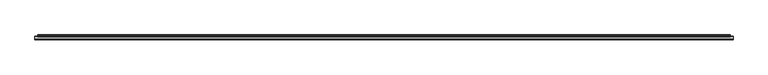
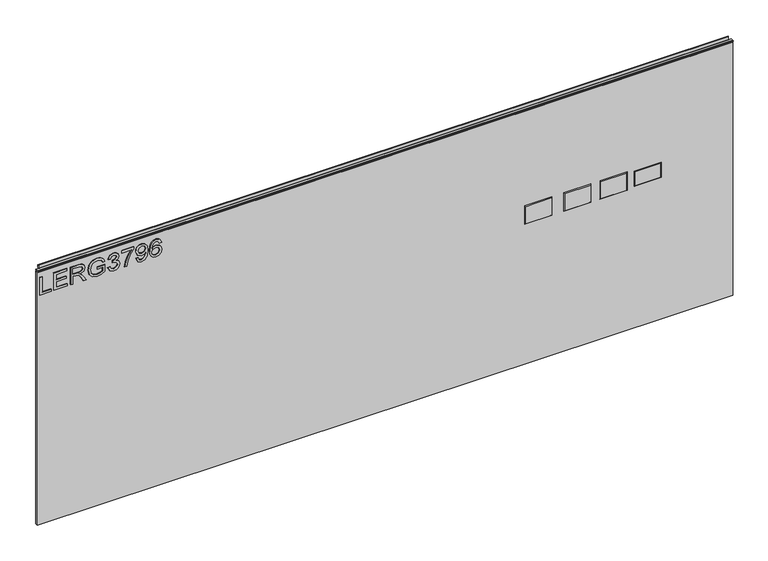
"""IFC4 building model written with IfcOpenShell, lengths in millimetres: furniture geometry."""

from ifc_helpers import new_model, si_unit, frame, origin, place, context, project, spatial, polyline, outline, extrude, faceted_brep, source, transform, mapped, element, save


def furniture_8708cc92(model_context):
    return source(origin(), model_context, "Body", "SolidModel", [
        extrude(outline(polyline([(949.9276297, -291.2189953), (949.9276297, -251.3503972), (957.9013493, -251.3503972), (957.9013493, -283.2452757), (1013.7173866, -283.2452757), (1013.7173866, -291.2189953), (949.9276297, -291.2189953)])), frame((0.0, -5.5279467, 0.0), z_axis=(0.0, 1.0, 0.0), x_axis=(0.0, 0.0, 1.0)), (0.0, 0.0, 1.0), 2.38125),
        extrude(outline(polyline([(949.9276297, -242.3799627), (949.9276297, -195.5343599), (957.9013493, -195.5343599), (957.9013493, -234.4062431), (978.8323633, -234.4062431), (978.8323633, -198.5245048), (986.8060829, -198.5245048), (986.8060829, -234.4062431), (1005.743667, -234.4062431), (1005.743667, -196.5310749), (1013.7173866, -196.5310749), (1013.7173866, -242.3799627), (949.9276297, -242.3799627)])), frame((0.0, -5.5279467, 0.0), z_axis=(0.0, 1.0, 0.0), x_axis=(0.0, 0.0, 1.0)), (0.0, 0.0, 1.0), 2.38125),
        extrude(outline(polyline([(949.9276297, -183.5737805), (949.9276297, -175.6000609), (977.8356483, -175.6000609), (977.8356483, -165.9755321), (977.5553223, -161.3501518), (976.0368893, -157.5579629), (971.9020796, -153.3452848), (963.1496765, -147.3494214), (949.9276297, -139.0486547), (949.9276297, -129.7823204), (967.2144046, -140.4191378), (975.4217293, -146.8822113), (978.8323633, -151.4141496), (984.765932, -138.0597266), (996.2593013, -133.7380329), (1005.9071906, -136.3466228), (1011.996496, -143.3236275), (1013.7173866, -156.0862509), (1013.7173866, -183.5737805), (949.9276297, -183.5737805)]), holes=[polyline([(985.809368, -175.6000609), (1005.743667, -175.6000609), (1005.743667, -155.7436302), (1002.9871272, -145.0834523), (995.9634015, -141.7117525), (990.5515508, -143.4793642), (986.9384591, -148.649823), (985.809368, -157.7526338), (985.809368, -175.6000609)])]), frame((0.0, -5.5279467, 0.0), z_axis=(0.0, 1.0, 0.0), x_axis=(0.0, 0.0, 1.0)), (0.0, 0.0, 1.0), 2.38125),
        extrude(outline(polyline([(974.8455035, -89.882575), (974.8455035, -71.9417058), (963.3209869, -71.9417058), (958.9525721, -80.0166543), (956.9046343, -90.9260109), (959.62224, -103.0812613), (967.9385803, -111.8025171), (981.8380818, -114.8004488), (994.3593134, -112.3086614), (1000.5031267, -108.2049991), (1005.0194913, -101.2591417), (1006.740382, -91.0506003), (1005.1440807, -82.0879526), (1000.8924685, -75.8740578), (993.5183352, -72.2376056), (995.5896334, -64.8868328), (1006.1407956, -69.706884), (1012.4481324, -78.4515004), (1014.7141016, -90.9260109), (1010.8051101, -107.7144284), (998.8523175, -118.8885375), (981.5110347, -122.7741684), (964.5513069, -118.8729638), (952.941135, -107.3172998), (948.9309147, -90.2874904), (951.4538495, -76.7617571), (958.9759326, -63.9679862), (982.8192231, -63.9679862), (982.8192231, -89.882575), (974.8455035, -89.882575)])), frame((0.0, -5.5279467, 0.0), z_axis=(0.0, 1.0, 0.0), x_axis=(0.0, 0.0, 1.0)), (0.0, 0.0, 1.0), 2.38125),
        extrude(outline(polyline([(966.8717839, -54.0008367), (953.9300632, -47.6623525), (948.9309147, -33.6771959), (950.3948398, -25.1545043), (954.7866151, -18.2436878), (961.2808359, -13.6650285), (969.0520978, -12.1388087), (979.4241628, -15.1912482), (984.8749477, -23.8813567), (990.1544222, -17.3404149), (997.505195, -15.1289536), (1005.5489961, -17.4572174), (1011.5292858, -24.1850433), (1013.7173866, -33.8017852), (1009.2788904, -46.4787535), (996.7732324, -53.0041217), (995.7765175, -45.0304021), (1003.2518796, -41.1214107), (1005.743667, -33.5214592), (1003.2752401, -26.0149497), (997.0379848, -23.1026732), (989.9986855, -27.1206803), (987.8027979, -37.4460243), (979.8290782, -38.3337235), (980.7012038, -32.7427756), (977.4385197, -23.678899), (969.1922609, -20.1125283), (960.4398577, -23.7100463), (956.9046343, -33.3968698), (959.4742901, -41.627555), (967.8684988, -46.0271171), (966.8717839, -54.0008367)])), frame((0.0, -5.5279467, 0.0), z_axis=(0.0, 1.0, 0.0), x_axis=(0.0, 0.0, 1.0)), (0.0, 0.0, 1.0), 2.38125),
        extrude(outline(polyline([(1004.7469521, -5.161804), (1004.7469521, 28.7265043), (988.2466475, 16.6724829), (967.9152198, 7.9745876), (949.9276297, 4.8053455), (949.9276297, 12.7790651), (967.2611256, 15.7380626), (989.1187731, 24.8252997), (1006.2731718, 36.700224), (1012.7206717, 36.700224), (1012.7206717, -5.161804), (1004.7469521, -5.161804)])), frame((0.0, -5.5279467, 0.0), z_axis=(0.0, 1.0, 0.0), x_axis=(0.0, 0.0, 1.0)), (0.0, 0.0, 1.0), 2.38125),
        extrude(outline(polyline([(965.8750689, 44.6739436), (953.3771978, 50.3894809), (948.9309147, 62.6459601), (952.6997431, 74.9569471), (963.6713945, 82.8761589), (983.0372545, 85.5392566), (1000.8846816, 82.868372), (1010.384621, 75.0503891), (1013.7173866, 63.689396), (1012.257355, 55.8149586), (1007.87726, 49.3849791), (1001.102713, 45.1041662), (992.4593255, 43.6772286), (977.5241749, 49.1202267), (971.8553586, 62.4435023), (974.1758356, 71.1881187), (978.6610529, 77.612258), (969.4102923, 76.4598064), (962.4800086, 73.8512164), (958.4230673, 69.4750149), (956.9046343, 63.0197282), (959.2640455, 56.2296076), (966.8717839, 52.6476632), (965.8750689, 44.6739436)]), holes=[polyline([(992.6462096, 77.565537), (983.2319254, 73.9602321), (979.8290782, 64.7639793), (983.2319254, 55.1861716), (992.0699838, 51.6509482), (1001.9359044, 55.3886293), (1005.743667, 64.9820107), (1002.2084437, 74.1237557), (992.6462096, 77.565537)])]), frame((0.0, -5.5279467, 0.0), z_axis=(0.0, 1.0, 0.0), x_axis=(0.0, 0.0, 1.0)), (0.0, 0.0, 1.0), 2.38125),
        extrude(outline(polyline([(996.7732324, 133.3815743), (1009.2165957, 127.4947266), (1013.7173866, 114.8956267), (1011.8991605, 105.6409726), (1006.4444822, 98.496551), (995.58574, 93.2637975), (979.7044889, 91.5195463), (965.5791692, 93.0905404), (956.0948034, 97.8035226), (950.7218869, 105.0082922), (948.9309147, 114.0546485), (951.6329467, 124.5045818), (959.4197822, 131.7463389), (970.4225809, 134.3782893), (978.5948648, 132.9805523), (985.1085528, 128.7873413), (990.7929427, 115.2382475), (988.7138576, 106.5247785), (982.352013, 99.493266), (996.5629879, 101.7592351), (1003.8125318, 107.2022332), (1005.743667, 114.3972692), (1002.4264751, 122.3865625), (995.7765175, 125.4078547), (996.7732324, 133.3815743)]), holes=[polyline([(970.5471703, 99.493266), (979.4319496, 103.4567653), (982.8192231, 113.1046545), (979.4319496, 122.8771332), (970.1578285, 126.4045697), (960.471005, 122.8304121), (956.9046343, 113.4317016), (958.625525, 106.2444524), (963.6402471, 101.338746), (970.5471703, 99.493266)])]), frame((0.0, -5.5279467, 0.0), z_axis=(0.0, 1.0, 0.0), x_axis=(0.0, 0.0, 1.0)), (0.0, 0.0, 1.0), 2.38125),
        faceted_brep([(1874.8763937, -5.2069939, 677.1132), (1785.2143937, -5.2069939, 677.1132), (1785.2143937, -5.2069939, 625.0432), (1874.8763937, -5.2069939, 625.0432), (1877.1623937, -3.1749939, 679.3992), (1877.1623937, -3.1749939, 622.7572), (1782.9283937, -3.1749939, 622.7572), (1782.9283937, -3.1749939, 679.3992)], [[[0, 1, 2, 3]], [[4, 5, 6, 7]], [[4, 7, 1, 0]], [[7, 6, 2, 1]], [[6, 5, 3, 2]], [[5, 4, 0, 3]]]),
        faceted_brep([(1756.6266938, -5.2069939, 682.5742), (1665.9486937, -5.2069939, 682.5742), (1665.9486937, -5.2069939, 619.5822), (1756.6266938, -5.2069939, 619.5822), (1758.9126938, -3.1749939, 684.8602), (1758.9126938, -3.1749939, 617.2962), (1663.6626937, -3.1749939, 617.2962), (1663.6626937, -3.1749939, 684.8602)], [[[0, 1, 2, 3]], [[4, 5, 6, 7]], [[4, 7, 1, 0]], [[7, 6, 2, 1]], [[6, 5, 3, 2]], [[5, 4, 0, 3]]]),
        faceted_brep([(1629.6266937, -5.2069939, 682.5742), (1538.9486937, -5.2069939, 682.5742), (1538.9486937, -5.2069939, 619.5822), (1629.6266937, -5.2069939, 619.5822), (1631.9126937, -3.1749939, 684.8602), (1631.9126937, -3.1749939, 617.2962), (1536.6626937, -3.1749939, 617.2962), (1536.6626937, -3.1749939, 684.8602)], [[[0, 1, 2, 3]], [[4, 5, 6, 7]], [[4, 7, 1, 0]], [[7, 6, 2, 1]], [[6, 5, 3, 2]], [[5, 4, 0, 3]]]),
        faceted_brep([(1493.8890937, -5.2069939, 682.5742), (1403.2110937, -5.2069939, 682.5742), (1403.2110937, -5.2069939, 619.5822), (1493.8890937, -5.2069939, 619.5822), (1496.1750937, -3.1749939, 684.8602), (1496.1750937, -3.1749939, 617.2962), (1400.9250937, -3.1749939, 617.2962), (1400.9250937, -3.1749939, 684.8602)], [[[0, 1, 2, 3]], [[4, 5, 6, 7]], [[4, 7, 1, 0]], [[7, 6, 2, 1]], [[6, 5, 3, 2]], [[5, 4, 0, 3]]]),
        extrude(outline(polyline([(-298.196, 6.3500061), (2126.488, 6.3500061), (2126.488, -3.1749939), (-298.196, -3.1749939), (-298.196, 6.3500061)])), frame((0.0, 0.0, 101.6), z_axis=(0.0, 0.0, 1.0), x_axis=(1.0, 0.0, 0.0)), (0.0, 0.0, 1.0), 932.3578),
        extrude(outline(polyline([(5.5562561, 1041.4), (6.3500061, 1041.4), (6.3500061, 1051.27425), (7.1437561, 1052.068), (8.6677569, 1052.068), (10.0084363, 1051.6506926), (10.875413, 1050.5461816), (10.9623604, 1049.1447591), (10.2390011, 1046.1863459), (10.4046103, 1044.9833307), (11.6746103, 1042.7836103), (10.7786383, 1042.2663244), (7.1437561, 1042.2663244), (7.1437561, 1041.4), (6.3500061, 1041.1669239), (6.3500061, 1033.9578), (5.5562561, 1033.9578), (5.5562561, 1041.4)])), frame((-288.671, 0.0, 0.0), z_axis=(1.0, 0.0, 0.0), x_axis=(0.0, 1.0, 0.0)), (0.0, 0.0, 1.0), 2405.634),
        extrude(outline(polyline([(5.5562561, 1041.4), (5.5562561, 1038.2249996), (-3.975094, 1038.2249996), (-5.3492339, 1039.0183657), (-5.3492339, 1040.6066395), (-3.9751037, 1041.4), (5.5562561, 1041.4)])), frame((-298.196, 0.0, 0.0), z_axis=(1.0, 0.0, 0.0), x_axis=(0.0, 1.0, 0.0)), (0.0, 0.0, 1.0), 2424.684),
    ])


if __name__ == "__main__":
    model = new_model("IFC4")
    model_context = context("Model", 3, world=origin())
    ifc_project = project(units=[si_unit("LENGTHUNIT", "METRE", prefix="MILLI")], contexts=[model_context])
    site = spatial("IfcSite", under=ifc_project)
    building = spatial("IfcBuilding", under=site)
    placement = place(None, origin())
    furniture_shape = furniture_8708cc92(model_context)
    element("IfcFurniture", 1, at=placement, inside=building, context=model_context, shape_type="MappedRepresentation", body=[
        mapped(furniture_shape, transform((0.0, 0.0, 0.0), x_axis=(1.0, 0.0, 0.0), y_axis=(0.0, 1.0, 0.0), z_axis=(0.0, 0.0, 1.0))),
    ])
    save(model, "model.ifc")
